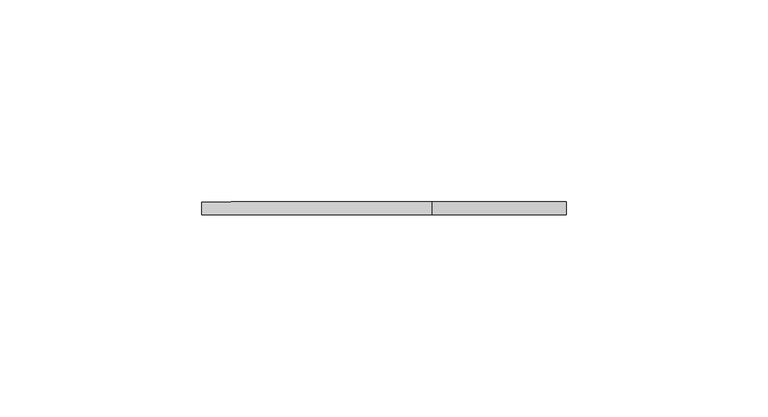
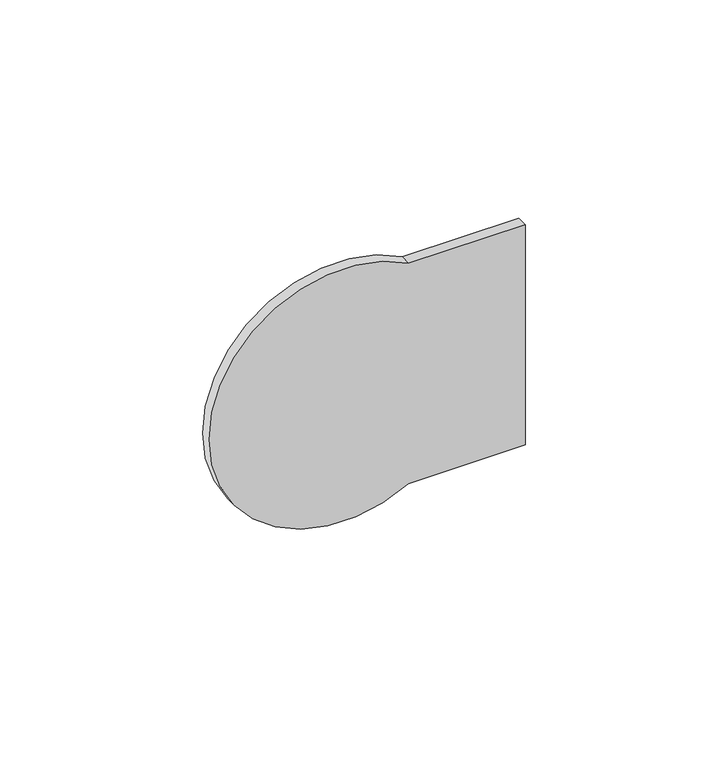
"""IFC4 building model written with IfcOpenShell, lengths in millimetres: proxy geometry."""

from ifc_helpers import new_model, si_unit, point, frame, frame_2d, origin, place, context, project, spatial, polyline, circle_curve, trimmed, segment, composite_curve, outline, extrude, source, transform, mapped, element, save


def specialty_equipment_a66543ee(model_context):
    return source(origin(), model_context, "Body", "SweptSolid", [
        extrude(outline(composite_curve([segment(polyline([(723.9, 0.0), (723.9, -33.2698082)]), True, "CONTINUOUS"), segment(trimmed(circle_curve(frame_2d((690.7111546, -52.0020162)), 38.1103014), [point((723.9, -33.2698082))], [point((657.5223092, -33.2698082))], False, "CARTESIAN"), True, "CONTINUOUS"), segment(polyline([(657.5223092, -33.2698082), (657.5223092, 0.0), (723.9, 0.0)]), True, "CONTINUOUS")], self_intersect=False)), frame((0.0, -3.175, 0.0), z_axis=(0.0, 1.0, 0.0), x_axis=(0.0, 0.0, 1.0)), (0.0, 0.0, 1.0), 3.175),
    ])


if __name__ == "__main__":
    model = new_model("IFC4")
    model_context = context("Model", 3, world=origin())
    ifc_project = project(units=[si_unit("LENGTHUNIT", "METRE", prefix="MILLI")], contexts=[model_context])
    site = spatial("IfcSite", under=ifc_project)
    building = spatial("IfcBuilding", under=site)
    placement = place(None, origin())
    specialty_equipment_shape = specialty_equipment_a66543ee(model_context)
    element("IfcBuildingElementProxy", 1, Name="Specialty Equipment", at=placement, inside=building, context=model_context, shape_type="MappedRepresentation", body=[
        mapped(specialty_equipment_shape, transform((0.0, 0.0, 0.0), x_axis=(1.0, 0.0, 0.0), y_axis=(0.0, 1.0, 0.0), z_axis=(0.0, 0.0, 1.0))),
    ])
    save(model, "model.ifc")
